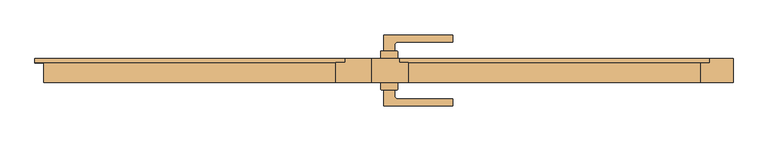
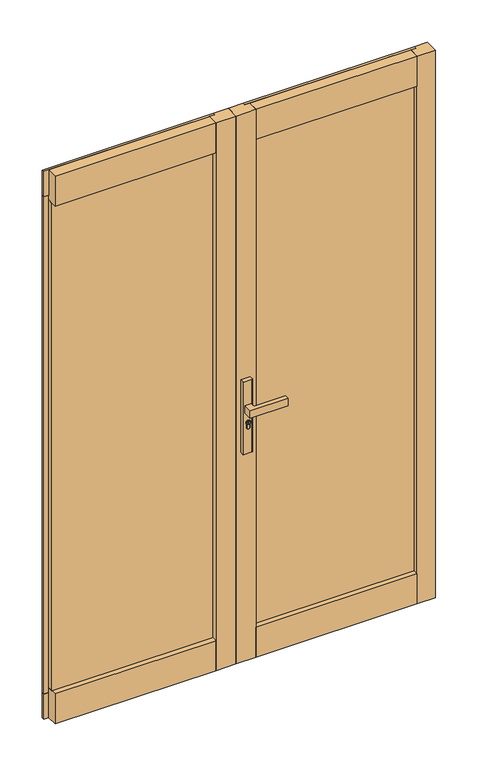
"""IFC4 building model written with IfcOpenShell, lengths in millimetres: door geometry."""

from ifc_helpers import new_model, si_unit, point, frame, frame_2d, origin, place, context, project, spatial, polyline, circle_curve, trimmed, segment, composite_curve, outline, extrude, faceted_brep, source, transform, mapped, element, save


def door_db354c3e(model_context):
    return source(origin(), model_context, "Body", "SolidModel", [
        extrude(outline(composite_curve([segment(trimmed(circle_curve(frame_2d((945.687184, 35.7946715)), 5.9005564), [point((945.687184, 41.6952279))], [point((945.687184, 29.8941151))], False, "CARTESIAN"), True, "CONTINUOUS"), segment(trimmed(circle_curve(frame_2d((945.687184, 35.7946715)), 5.9005564), [point((945.687184, 29.8941151))], [point((945.687184, 41.6952279))], False, "CARTESIAN"), True, "CONTINUOUS")], self_intersect=False), holes=[polyline([(946.7492167, 34.7306001), (949.7292167, 34.7306001), (949.7292167, 36.7785396), (948.9292167, 36.7785396), (948.3483344, 35.7306001), (947.1634303, 35.7306001), (946.3431864, 36.550844), (944.6002002, 36.550844), (944.0258593, 35.7306001), (941.7685105, 35.7306001), (941.7685105, 34.7306001), (944.5464263, 34.7306001), (945.1207673, 35.550844), (945.9289729, 35.550844), (946.7492167, 34.7306001)])]), frame((0.0, -44.6737577, 0.0), z_axis=(0.0, 1.0, 0.0), x_axis=(0.0, 0.0, 1.0)), (0.0, 0.0, 1.0), 4.423715),
        extrude(outline(composite_curve([segment(polyline([(18.1461528, -39.0000422), (18.1461528, -25.0000426), (53.1461525, -25.0000426), (53.1461525, -39.0000422)]), True, "CONTINUOUS"), segment(trimmed(circle_curve(frame_2d((52.1461525, -39.0000422)), 1.0), [point((53.1461525, -39.0000422))], [point((52.1461525, -40.0000422))], False, "CARTESIAN"), True, "CONTINUOUS"), segment(polyline([(52.1461525, -40.0000422), (19.1461528, -40.0000422)]), True, "CONTINUOUS"), segment(trimmed(circle_curve(frame_2d((19.1461528, -39.0000422)), 1.0), [point((19.1461528, -40.0000422))], [point((18.1461528, -39.0000422))], False, "CARTESIAN"), True, "CONTINUOUS")], self_intersect=False)), frame((0.0, 0.0, 822.4734334), z_axis=(0.0, 0.0, 1.0), x_axis=(1.0, 0.0, 0.0)), (0.0, 0.0, 1.0), 287.6450734),
        extrude(outline(composite_curve([segment(trimmed(circle_curve(frame_2d((19.1461528, 38.9999671)), 1.0), [point((18.1461528, 38.9999671))], [point((19.1461528, 39.9999671))], False, "CARTESIAN"), True, "CONTINUOUS"), segment(polyline([(19.1461528, 39.9999671), (52.1461525, 39.9999671)]), True, "CONTINUOUS"), segment(trimmed(circle_curve(frame_2d((52.1461525, 38.9999671)), 1.0), [point((52.1461525, 39.9999671))], [point((53.1461525, 38.9999671))], False, "CARTESIAN"), True, "CONTINUOUS"), segment(polyline([(53.1461525, 38.9999671), (53.1461525, 24.9999674), (18.1461528, 24.9999674), (18.1461528, 38.9999671)]), True, "CONTINUOUS")], self_intersect=False)), frame((0.0, 0.0, 822.4734334), z_axis=(0.0, 0.0, 1.0), x_axis=(1.0, 0.0, 0.0)), (0.0, 0.0, 1.0), 287.6450734),
        extrude(outline(composite_curve([segment(trimmed(circle_curve(frame_2d((945.687184, 35.7946715)), 8.4005564), [point((939.648662, 41.6346715))], [point((939.2521745, 30.3946715))], False, "CARTESIAN"), True, "CONTINUOUS"), segment(polyline([(939.2521745, 30.3946715), (926.2077404, 30.3946715)]), True, "CONTINUOUS"), segment(trimmed(circle_curve(frame_2d((926.2077404, 36.0146715)), 5.62), [point((926.2077404, 30.3946715))], [point((926.2077404, 41.6346715))], False, "CARTESIAN"), True, "CONTINUOUS"), segment(polyline([(926.2077404, 41.6346715), (939.648662, 41.6346715)]), True, "CONTINUOUS")], self_intersect=False), holes=[composite_curve([segment(trimmed(circle_curve(frame_2d((945.687184, 35.7946715)), 6.4005564), [point((945.687184, 42.1952279))], [point((945.687184, 29.3941151))], True, "CARTESIAN"), True, "CONTINUOUS"), segment(trimmed(circle_curve(frame_2d((945.687184, 35.7946715)), 6.4005564), [point((945.687184, 29.3941151))], [point((945.687184, 42.1952279))], True, "CARTESIAN"), True, "CONTINUOUS")], self_intersect=False)]), frame((0.0, -43.3093831, 0.0), z_axis=(0.0, 1.0, 0.0), x_axis=(0.0, 0.0, 1.0)), (0.0, 0.0, 1.0), 3.0593403),
        extrude(outline(composite_curve([segment(trimmed(circle_curve(frame_2d((945.687184, 35.7946715)), 6.4005564), [point((945.687184, 29.3941151))], [point((945.687184, 42.1952279))], False, "CARTESIAN"), True, "CONTINUOUS"), segment(trimmed(circle_curve(frame_2d((945.687184, 35.7946715)), 6.4005564), [point((945.687184, 42.1952279))], [point((945.687184, 29.3941151))], False, "CARTESIAN"), True, "CONTINUOUS")], self_intersect=False), holes=[composite_curve([segment(trimmed(circle_curve(frame_2d((945.687184, 35.7946715)), 5.9005564), [point((945.687184, 29.8941151))], [point((945.687184, 41.6952279))], True, "CARTESIAN"), True, "CONTINUOUS"), segment(trimmed(circle_curve(frame_2d((945.687184, 35.7946715)), 5.9005564), [point((945.687184, 41.6952279))], [point((945.687184, 29.8941151))], True, "CARTESIAN"), True, "CONTINUOUS")], self_intersect=False)]), frame((0.0, -43.3093831, 0.0), z_axis=(0.0, 1.0, 0.0), x_axis=(0.0, 0.0, 1.0)), (0.0, 0.0, 1.0), 3.0593403),
        extrude(outline(composite_curve([segment(polyline([(939.1595834, 30.1946715), (926.2077404, 30.1946715)]), True, "CONTINUOUS"), segment(trimmed(circle_curve(frame_2d((926.2077404, 36.0146715)), 5.82), [point((926.2077404, 30.1946715))], [point((926.2077404, 41.8346715))], False, "CARTESIAN"), True, "CONTINUOUS"), segment(polyline([(926.2077404, 41.8346715), (939.564442, 41.8346715)]), True, "CONTINUOUS"), segment(trimmed(circle_curve(frame_2d((945.687184, 35.7946715)), 8.6005564), [point((939.564442, 41.8346715))], [point((939.1595834, 30.1946715))], False, "CARTESIAN"), True, "CONTINUOUS")], self_intersect=False), holes=[composite_curve([segment(polyline([(926.2077404, 30.3946715), (939.2521745, 30.3946715)]), True, "CONTINUOUS"), segment(trimmed(circle_curve(frame_2d((945.687184, 35.7946715)), 8.4005564), [point((939.2521745, 30.3946715))], [point((939.648662, 41.6346715))], True, "CARTESIAN"), True, "CONTINUOUS"), segment(polyline([(939.648662, 41.6346715), (926.2077404, 41.6346715)]), True, "CONTINUOUS"), segment(trimmed(circle_curve(frame_2d((926.2077404, 36.0146715)), 5.62), [point((926.2077404, 41.6346715))], [point((926.2077404, 30.3946715))], True, "CARTESIAN"), True, "CONTINUOUS")], self_intersect=False)]), frame((0.0, -43.3093831, 0.0), z_axis=(0.0, 1.0, 0.0), x_axis=(0.0, 0.0, 1.0)), (0.0, 0.0, 1.0), 3.0593403),
        extrude(outline(composite_curve([segment(polyline([(24.6461526, -73.8566836), (24.6461526, -40.2500427), (46.6461526, -40.2500427), (46.6461526, -51.7500426)]), True, "CONTINUOUS"), segment(trimmed(circle_curve(frame_2d((54.1461526, -51.7500426)), 7.5), [point((46.6461526, -51.7500426))], [point((54.1506874, -59.2500412))], True, "CARTESIAN"), True, "CONTINUOUS"), segment(polyline([(54.1506874, -59.2500412), (166.646158, -59.2500412), (166.646158, -73.2500422)]), True, "CONTINUOUS"), segment(trimmed(circle_curve(frame_2d((91.646153, 862.7499574)), 939.0), [point((166.646158, -73.2500422))], [point((24.6461526, -73.8566836))], False, "CARTESIAN"), True, "CONTINUOUS")], self_intersect=False)), frame((0.0, 0.0, 985.1796291), z_axis=(0.0, 0.0, 1.0), x_axis=(1.0, 0.0, 0.0)), (0.0, 0.0, 1.0), 29.6407418),
        extrude(outline(composite_curve([segment(trimmed(circle_curve(frame_2d((945.687184, 35.7946715)), 5.9005564), [point((945.687184, 41.6952279))], [point((945.687184, 29.8941151))], False, "CARTESIAN"), True, "CONTINUOUS"), segment(trimmed(circle_curve(frame_2d((945.687184, 35.7946715)), 5.9005564), [point((945.687184, 29.8941151))], [point((945.687184, 41.6952279))], False, "CARTESIAN"), True, "CONTINUOUS")], self_intersect=False), holes=[polyline([(946.7492167, 34.7306001), (949.7292167, 34.7306001), (949.7292167, 36.7785396), (948.9292167, 36.7785396), (948.3483344, 35.7306001), (947.1634303, 35.7306001), (946.3431864, 36.550844), (944.6002002, 36.550844), (944.0258593, 35.7306001), (941.7685105, 35.7306001), (941.7685105, 34.7306001), (944.5464263, 34.7306001), (945.1207673, 35.550844), (945.9289729, 35.550844), (946.7492167, 34.7306001)])]), frame((0.0, 40.2499676, 0.0), z_axis=(0.0, 1.0, 0.0), x_axis=(0.0, 0.0, 1.0)), (0.0, 0.0, 1.0), 4.423715),
        extrude(outline(composite_curve([segment(trimmed(circle_curve(frame_2d((945.687184, 35.7946715)), 8.4005564), [point((939.648662, 41.6346715))], [point((939.2521745, 30.3946715))], False, "CARTESIAN"), True, "CONTINUOUS"), segment(polyline([(939.2521745, 30.3946715), (926.2077404, 30.3946715)]), True, "CONTINUOUS"), segment(trimmed(circle_curve(frame_2d((926.2077404, 36.0146715)), 5.62), [point((926.2077404, 30.3946715))], [point((926.2077404, 41.6346715))], False, "CARTESIAN"), True, "CONTINUOUS"), segment(polyline([(926.2077404, 41.6346715), (939.648662, 41.6346715)]), True, "CONTINUOUS")], self_intersect=False), holes=[composite_curve([segment(trimmed(circle_curve(frame_2d((945.687184, 35.7946715)), 6.4005564), [point((945.687184, 42.1952279))], [point((945.687184, 29.3941151))], True, "CARTESIAN"), True, "CONTINUOUS"), segment(trimmed(circle_curve(frame_2d((945.687184, 35.7946715)), 6.4005564), [point((945.687184, 29.3941151))], [point((945.687184, 42.1952279))], True, "CARTESIAN"), True, "CONTINUOUS")], self_intersect=False)]), frame((0.0, 40.2499676, 0.0), z_axis=(0.0, 1.0, 0.0), x_axis=(0.0, 0.0, 1.0)), (0.0, 0.0, 1.0), 3.0593403),
        extrude(outline(composite_curve([segment(trimmed(circle_curve(frame_2d((945.687184, 35.7946715)), 6.4005564), [point((945.687184, 29.3941151))], [point((945.687184, 42.1952279))], False, "CARTESIAN"), True, "CONTINUOUS"), segment(trimmed(circle_curve(frame_2d((945.687184, 35.7946715)), 6.4005564), [point((945.687184, 42.1952279))], [point((945.687184, 29.3941151))], False, "CARTESIAN"), True, "CONTINUOUS")], self_intersect=False), holes=[composite_curve([segment(trimmed(circle_curve(frame_2d((945.687184, 35.7946715)), 5.9005564), [point((945.687184, 29.8941151))], [point((945.687184, 41.6952279))], True, "CARTESIAN"), True, "CONTINUOUS"), segment(trimmed(circle_curve(frame_2d((945.687184, 35.7946715)), 5.9005564), [point((945.687184, 41.6952279))], [point((945.687184, 29.8941151))], True, "CARTESIAN"), True, "CONTINUOUS")], self_intersect=False)]), frame((0.0, 40.2499676, 0.0), z_axis=(0.0, 1.0, 0.0), x_axis=(0.0, 0.0, 1.0)), (0.0, 0.0, 1.0), 3.0593403),
        extrude(outline(composite_curve([segment(polyline([(939.1595834, 30.1946715), (926.2077404, 30.1946715)]), True, "CONTINUOUS"), segment(trimmed(circle_curve(frame_2d((926.2077404, 36.0146715)), 5.82), [point((926.2077404, 30.1946715))], [point((926.2077404, 41.8346715))], False, "CARTESIAN"), True, "CONTINUOUS"), segment(polyline([(926.2077404, 41.8346715), (939.564442, 41.8346715)]), True, "CONTINUOUS"), segment(trimmed(circle_curve(frame_2d((945.687184, 35.7946715)), 8.6005564), [point((939.564442, 41.8346715))], [point((939.1595834, 30.1946715))], False, "CARTESIAN"), True, "CONTINUOUS")], self_intersect=False), holes=[composite_curve([segment(polyline([(926.2077404, 30.3946715), (939.2521745, 30.3946715)]), True, "CONTINUOUS"), segment(trimmed(circle_curve(frame_2d((945.687184, 35.7946715)), 8.4005564), [point((939.2521745, 30.3946715))], [point((939.648662, 41.6346715))], True, "CARTESIAN"), True, "CONTINUOUS"), segment(polyline([(939.648662, 41.6346715), (926.2077404, 41.6346715)]), True, "CONTINUOUS"), segment(trimmed(circle_curve(frame_2d((926.2077404, 36.0146715)), 5.62), [point((926.2077404, 41.6346715))], [point((926.2077404, 30.3946715))], True, "CARTESIAN"), True, "CONTINUOUS")], self_intersect=False)]), frame((0.0, 40.2499676, 0.0), z_axis=(0.0, 1.0, 0.0), x_axis=(0.0, 0.0, 1.0)), (0.0, 0.0, 1.0), 3.0593403),
        extrude(outline(composite_curve([segment(trimmed(circle_curve(frame_2d((91.646153, -862.7500326)), 939.0), [point((24.6461526, 73.8566084))], [point((166.646158, 73.249967))], False, "CARTESIAN"), True, "CONTINUOUS"), segment(polyline([(166.646158, 73.249967), (166.646158, 59.2499661), (54.1506874, 59.2499661)]), True, "CONTINUOUS"), segment(trimmed(circle_curve(frame_2d((54.1461526, 51.7499674)), 7.5), [point((54.1506874, 59.2499661))], [point((46.6461526, 51.7499674))], True, "CARTESIAN"), True, "CONTINUOUS"), segment(polyline([(46.6461526, 51.7499674), (46.6461526, 40.2499676), (24.6461526, 40.2499676), (24.6461526, 73.8566084)]), True, "CONTINUOUS")], self_intersect=False)), frame((0.0, 0.0, 985.1796291), z_axis=(0.0, 0.0, 1.0), x_axis=(1.0, 0.0, 0.0)), (0.0, 0.0, 1.0), 29.6407418),
        faceted_brep([(75.0, -25.0000426, 109.8321405), (75.0, 16.0045752, 109.8321405), (75.0, 16.0045752, 90.7821405), (75.0, 16.0045752, -9.2178595), (75.0, -25.0000426, -9.2178595), (679.0000593, -25.0000426, 109.8321405), (679.0000593, -25.0000426, -9.2178595), (679.0000593, 16.0045752, -9.2178595), (679.0000593, 16.0045752, 90.7821405), (679.0000593, 16.0045752, 109.8321405), (56.0654397, 16.0045752, -9.2178595), (56.0654397, 24.9999674, -9.2178595), (698.0000593, 24.9999674, -9.2178595), (698.0000593, 16.0045752, -9.2178595), (56.0654397, 16.0045752, 90.7821405), (56.0654397, 24.9999674, 90.7821405), (698.0000593, 16.0045752, 90.7821405), (698.0000593, 24.9999674, 90.7821405)], [[[0, 1, 2, 3, 4]], [[5, 6, 7, 8, 9]], [[0, 4, 6, 5]], [[1, 0, 5, 9]], [[1, 9, 8, 2]], [[4, 3, 10, 11, 12, 13, 7, 6]], [[14, 15, 11, 10]], [[16, 13, 12, 17]], [[14, 10, 3, 2]], [[13, 16, 8, 7]], [[15, 14, 2, 8, 16, 17]], [[11, 15, 17, 12]]]),
        extrude(outline(polyline([(0.0, -25.0000426), (0.0, 24.9999674), (56.0654397, 24.9999674), (56.0654397, 16.0045752), (75.0, 16.0045752), (75.0, -25.0000426), (0.0, -25.0000426)])), frame((0.0, 0.0, -9.2178595), z_axis=(0.0, 0.0, 1.0), x_axis=(1.0, 0.0, 0.0)), (0.0, 0.0, 1.0), 2170.4900334),
        extrude(outline(polyline([(0.0, -25.0000326), (-75.000002, -25.0000326), (-75.000002, 16.0045752), (-55.0, 16.0045752), (-55.0, 24.9999674), (0.0, 24.9999674), (0.0, -25.0000326)])), frame((0.0, 0.0, -9.2178595), z_axis=(0.0, 0.0, 1.0), x_axis=(1.0, 0.0, 0.0)), (0.0, 0.0, 1.0), 2170.4900334),
        extrude(outline(polyline([(-75.0, 16.0045752), (-75.0, -4.9954248), (-678.8000837, -4.9954248), (-678.8000837, 16.0045752), (-75.0, 16.0045752)])), frame((0.0, 0.0, 109.8321405), z_axis=(0.0, 0.0, 1.0), x_axis=(1.0, 0.0, 0.0)), (0.0, 0.0, 1.0), 1932.3900314),
        extrude(outline(polyline([(-55.0, 24.9999674), (-55.0, 16.0045752), (-697.1752952, 16.0045752), (-697.1752952, 24.9999674), (-55.0, 24.9999674)])), frame((0.0, 0.0, 2061.2221739), z_axis=(0.0, 0.0, 1.0), x_axis=(1.0, 0.0, 0.0)), (0.0, 0.0, 1.0), 100.05),
        extrude(outline(polyline([(-75.000002, 16.0045752), (-75.000002, -25.0000651), (-678.9042577, -25.0000651), (-678.9042577, 16.0045752), (-75.000002, 16.0045752)])), frame((0.0, 0.0, 2042.2221739), z_axis=(0.0, 0.0, 1.0), x_axis=(1.0, 0.0, 0.0)), (0.0, 0.0, 1.0), 119.05),
        extrude(outline(polyline([(-75.000002, 16.0045752), (-75.000002, -25.0000651), (-678.8000837, -25.0000651), (-678.8000837, 16.0045752), (-75.000002, 16.0045752)])), frame((0.0, 0.0, -9.2178595), z_axis=(0.0, 0.0, 1.0), x_axis=(1.0, 0.0, 0.0)), (0.0, 0.0, 1.0), 119.05),
        extrude(outline(polyline([(-75.000002, 24.9999674), (-75.000002, 16.0045752), (-678.8000837, 16.0045752), (-678.8000837, 24.9999674), (-75.000002, 24.9999674)])), frame((0.0, 0.0, 2042.2221739), z_axis=(0.0, 0.0, 1.0), x_axis=(1.0, 0.0, 0.0)), (0.0, 0.0, 1.0), 19.0),
        extrude(outline(polyline([(-75.000002, 24.9999674), (-75.000002, 16.0045752), (-678.8000837, 16.0045752), (-678.8000837, 24.9999674), (-75.000002, 24.9999674)])), frame((0.0, 0.0, 90.7821405), z_axis=(0.0, 0.0, 1.0), x_axis=(1.0, 0.0, 0.0)), (0.0, 0.0, 1.0), 19.05),
        extrude(outline(polyline([(-55.0, 24.9999674), (-55.0, 16.0045752), (-697.1752952, 16.0045752), (-697.1752952, 24.9999674), (-55.0, 24.9999674)])), frame((0.0, 0.0, -9.2178595), z_axis=(0.0, 0.0, 1.0), x_axis=(1.0, 0.0, 0.0)), (0.0, 0.0, 1.0), 100.0),
        extrude(outline(polyline([(-75.000002, 16.0045752), (-75.000002, 24.9999674), (-55.0, 24.9999674), (-55.0, 16.0045752), (-75.000002, 16.0045752)])), frame((0.0, 0.0, 90.7821405), z_axis=(0.0, 0.0, 1.0), x_axis=(1.0, 0.0, 0.0)), (0.0, 0.0, 1.0), 1970.4400334),
        extrude(outline(polyline([(75.047959, 16.0045752), (56.1133987, 16.0045752), (56.1133987, 24.9999674), (75.047959, 24.9999674), (75.047959, 16.0045752)])), frame((0.0, 0.0, 90.7821405), z_axis=(0.0, 0.0, 1.0), x_axis=(1.0, 0.0, 0.0)), (0.0, 0.0, 1.0), 1970.4400334),
        extrude(outline(polyline([(75.0, 16.0045752), (679.0000593, 16.0045752), (679.0000593, -4.9954248), (75.0, -4.9954248), (75.0, 16.0045752)])), frame((0.0, 0.0, 109.8321405), z_axis=(0.0, 0.0, 1.0), x_axis=(1.0, 0.0, 0.0)), (0.0, 0.0, 1.0), 1932.3900314),
        extrude(outline(polyline([(679.0000593, 16.0045752), (679.0000593, 24.9999674), (698.0000593, 24.9999674), (698.0000593, 16.0045752), (679.0000593, 16.0045752)])), frame((0.0, 0.0, 90.7821405), z_axis=(0.0, 0.0, 1.0), x_axis=(1.0, 0.0, 0.0)), (0.0, 0.0, 1.0), 1970.4400334),
        extrude(outline(polyline([(56.0654397, 16.0045752), (56.0654397, 24.9999674), (698.0000593, 24.9999674), (698.0000593, 16.0045752), (56.0654397, 16.0045752)])), frame((0.0, 0.0, 2061.2221739), z_axis=(0.0, 0.0, 1.0), x_axis=(1.0, 0.0, 0.0)), (0.0, 0.0, 1.0), 100.05),
        extrude(outline(polyline([(75.0, -25.0000651), (75.0, 16.0045752), (678.8000837, 16.0045752), (678.8000837, -25.0000651), (75.0, -25.0000651)])), frame((0.0, 0.0, 2042.2221739), z_axis=(0.0, 0.0, 1.0), x_axis=(1.0, 0.0, 0.0)), (0.0, 0.0, 1.0), 119.05),
        extrude(outline(polyline([(75.0, 16.0045752), (75.0, 24.9999674), (678.8000837, 24.9999674), (678.8000837, 16.0045752), (75.0, 16.0045752)])), frame((0.0, 0.0, 2042.2221739), z_axis=(0.0, 0.0, 1.0), x_axis=(1.0, 0.0, 0.0)), (0.0, 0.0, 1.0), 19.0),
        extrude(outline(polyline([(75.0, 16.0045752), (75.0, 24.9999674), (679.0000593, 24.9999674), (679.0000593, 16.0045752), (75.0, 16.0045752)])), frame((0.0, 0.0, 90.7821405), z_axis=(0.0, 0.0, 1.0), x_axis=(1.0, 0.0, 0.0)), (0.0, 0.0, 1.0), 19.05),
        extrude(outline(polyline([(-678.8000837, 16.0045752), (-697.1752952, 16.0045752), (-697.1752952, 24.9999674), (-678.8000837, 24.9999674), (-678.8000837, 16.0045752)])), frame((0.0, 0.0, 90.7821405), z_axis=(0.0, 0.0, 1.0), x_axis=(1.0, 0.0, 0.0)), (0.0, 0.0, 1.0), 1970.4400334),
        extrude(outline(polyline([(679.0000593, -25.0000651), (679.0000593, 16.0045752), (698.0000593, 16.0045752), (698.0000593, 24.9999674), (747.0000593, 24.9999674), (747.0000593, -25.0000651), (679.0000593, -25.0000651)])), frame((0.0, 0.0, -9.2178595), z_axis=(0.0, 0.0, 1.0), x_axis=(1.0, 0.0, 0.0)), (0.0, 0.0, 1.0), 2170.4900334),
    ])


if __name__ == "__main__":
    model = new_model("IFC4")
    model_context = context("Model", 3, world=origin())
    ifc_project = project(units=[si_unit("LENGTHUNIT", "METRE", prefix="MILLI")], contexts=[model_context])
    site = spatial("IfcSite", under=ifc_project)
    building = spatial("IfcBuilding", under=site)
    placement = place(None, origin())
    door_shape = door_db354c3e(model_context)
    element("IfcDoor", 1, at=placement, inside=building, context=model_context, shape_type="MappedRepresentation", body=[
        mapped(door_shape, transform((0.0, 0.0, 0.0), x_axis=(1.0, 0.0, 0.0), y_axis=(0.0, 1.0, 0.0), z_axis=(0.0, 0.0, 1.0))),
    ])
    save(model, "model.ifc")
